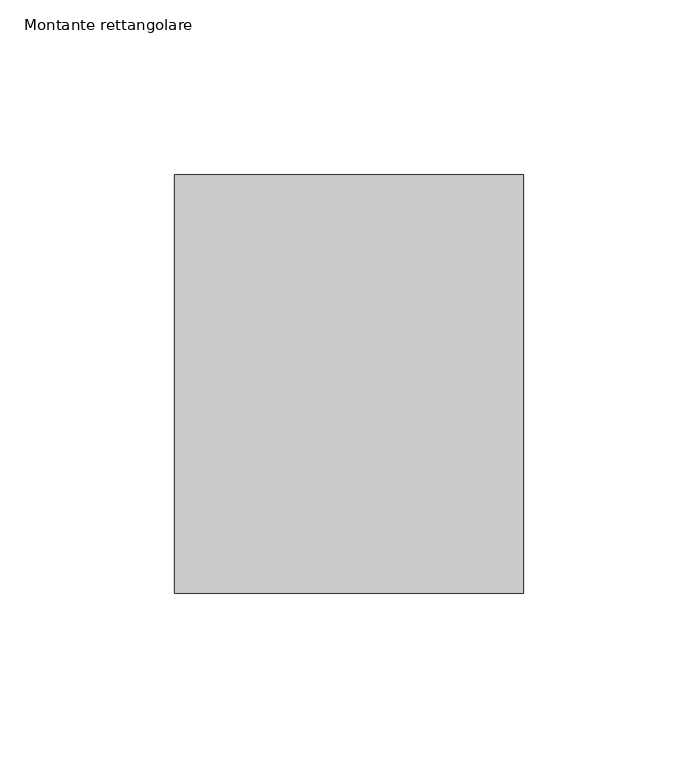
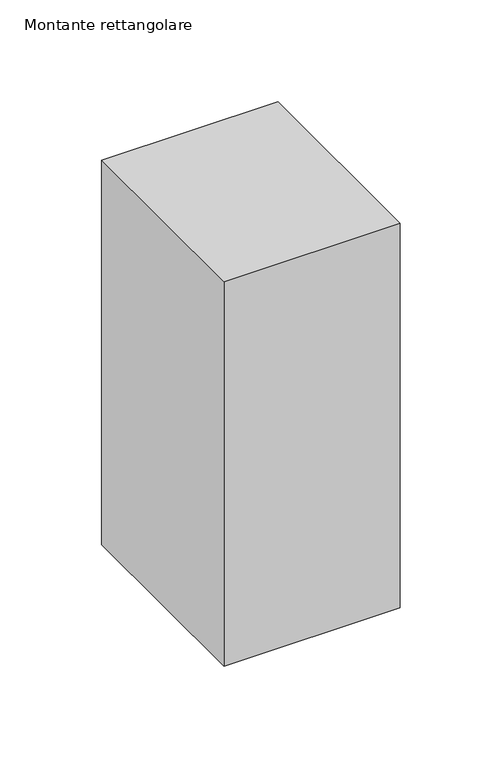
"""IFC4 building model written with IfcOpenShell, lengths in millimetres: member geometry, Montante rettangolare."""

from ifc_helpers import new_model, si_unit, frame, origin, place, context, project, spatial, polyline, outline, extrude, source, transform, mapped, element, save


def montante_rettangolare_b5ac413a(model_context):
    return source(origin(), model_context, "Body", "SweptSolid", [
        extrude(outline(polyline([(50.0, 60.0), (50.0, -60.0), (-50.0, -60.0), (-50.0, 60.0), (50.0, 60.0)])), frame((0.0, 0.0, -230.4743941), z_axis=(0.0, 0.0, 1.0), x_axis=(1.0, 0.0, 0.0)), (0.0, 0.0, 1.0), 230.4743941),
    ])


if __name__ == "__main__":
    model = new_model("IFC4")
    model_context = context("Model", 3, world=origin())
    ifc_project = project(units=[si_unit("LENGTHUNIT", "METRE", prefix="MILLI")], contexts=[model_context])
    site = spatial("IfcSite", under=ifc_project)
    building = spatial("IfcBuilding", under=site)
    placement = place(None, origin())
    montante_rettangolare_shape = montante_rettangolare_b5ac413a(model_context)
    element("IfcMember", 1, ObjectType="Montante rettangolare", at=placement, inside=building, context=model_context, shape_type="MappedRepresentation", body=[
        mapped(montante_rettangolare_shape, transform((0.0, 0.0, 0.0), x_axis=(1.0, 0.0, 0.0), y_axis=(0.0, 1.0, 0.0), z_axis=(0.0, 0.0, 1.0))),
    ])
    save(model, "model.ifc")
